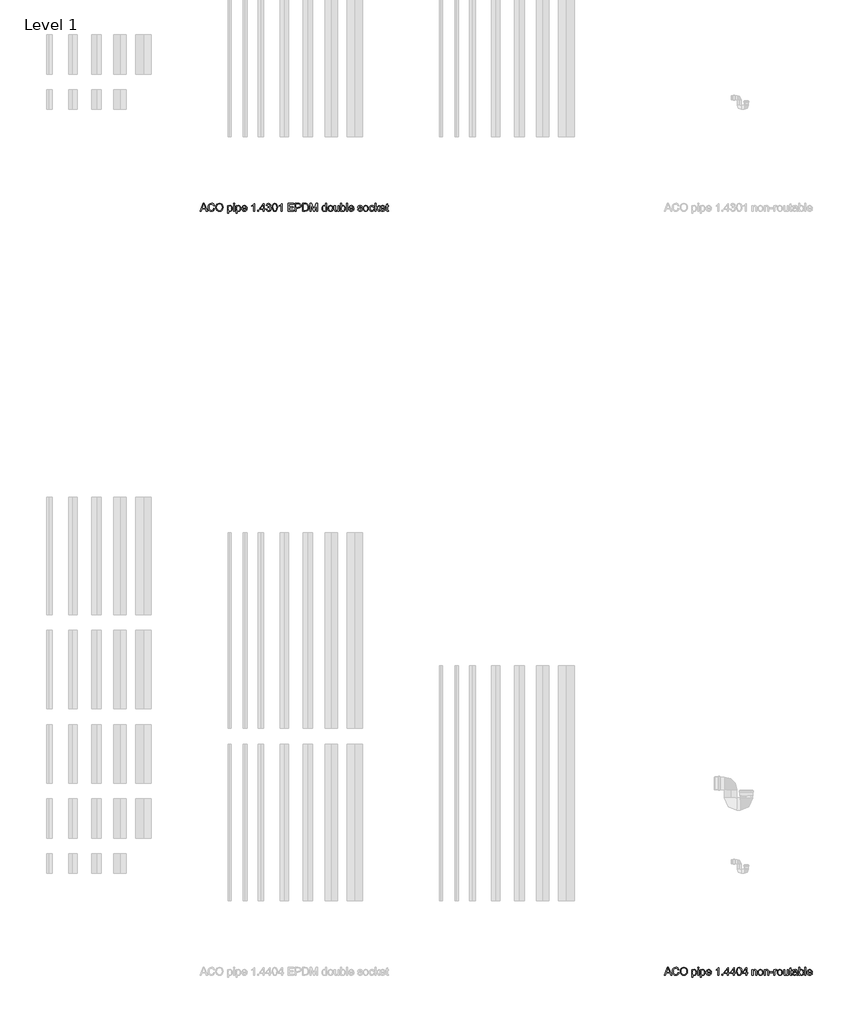
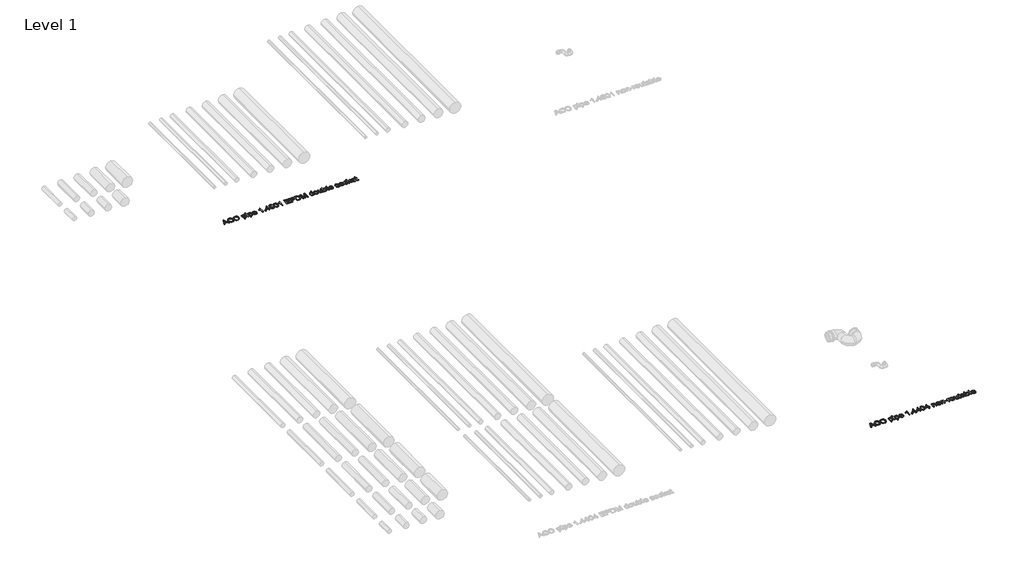
# One storey, part 12 of 13: 2 proxies.
"""IFC4 building model written with IfcOpenShell, lengths in millimetres."""

import ifcopenshell
import ifcopenshell.guid

model = None  # the IFC model being written
_history = None  # IfcOwnerHistory: only IFC2X3 demands one
_inside = {}  # id of a spatial element -> (the spatial element, [elements in it])
_under = {}  # id of a project, library or spatial element -> (it, [spatial elements below it])
_declared = {}  # id of a project -> (the project, [libraries it declares])
_typed = {}  # id of a type object -> (the type object, [elements of that type])
_made_of = {}  # id of a material, layer set ... -> (it, [elements and type objects made of it])


def new_model(schema):
    """Start an empty IFC model of exactly this schema.

    Asked for "IFC4X3", IfcOpenShell would pick the latest addendum, in which some entities
    have other attributes; the version numbers below select the first issue.
    IFC2X3 requires an IfcOwnerHistory on every rooted entity: one is made here for all.
    """
    global model, _history
    if schema == "IFC4X3":
        model = ifcopenshell.file(schema_version=(4, 3, 0, 0))
    else:
        model = ifcopenshell.file(schema=schema)
    _inside.clear()
    _under.clear()
    _declared.clear()
    _typed.clear()
    _made_of.clear()
    _history = None
    if model.schema == "IFC2X3":
        org = make("IfcOrganization", Name="unknown")
        user = make(
            "IfcPersonAndOrganization",
            ThePerson=make("IfcPerson", FamilyName="unknown"),
            TheOrganization=org,
        )
        app = make(
            "IfcApplication",
            ApplicationDeveloper=org,
            Version="unknown",
            ApplicationFullName="unknown",
            ApplicationIdentifier="unknown",
        )
        _history = make(
            "IfcOwnerHistory",
            OwningUser=user,
            OwningApplication=app,
            ChangeAction="ADDED",
            CreationDate=0,
        )
    return model


def make(cls, **values):
    """One entity of the class cls with the attributes given. An attribute that is None is left unset."""
    return model.create_entity(
        cls, **{name: value for name, value in values.items() if value is not None}
    )


def rooted(cls, **values):
    """An entity with a GlobalId (a new one), such as an element, a storey or a relation."""
    return make(cls, GlobalId=ifcopenshell.guid.new(), OwnerHistory=_history, **values)


def si_unit(unit_type, name, prefix=None):
    """IfcSIUnit, for example si_unit("LENGTHUNIT", "METRE", prefix="MILLI")."""
    return make("IfcSIUnit", UnitType=unit_type, Prefix=prefix, Name=name)


def assignment(units):
    """IfcUnitAssignment: the units of a project."""
    return None if units is None else make("IfcUnitAssignment", Units=units)


def point(xyz):
    """IfcCartesianPoint."""
    return None if xyz is None else make("IfcCartesianPoint", Coordinates=xyz)


def direction(xyz):
    """IfcDirection."""
    return None if xyz is None else make("IfcDirection", DirectionRatios=xyz)


def frame(location, z_axis=None, x_axis=None):
    """IfcAxis2Placement3D, a coordinate frame: its origin and axes. An axis left out is left unset."""
    return make(
        "IfcAxis2Placement3D",
        Location=point(location),
        Axis=direction(z_axis),
        RefDirection=direction(x_axis),
    )


def origin():
    """The frame at (0, 0, 0) with its axes left unset."""
    return frame((0.0, 0.0, 0.0))


def origin_with_axes():
    """The frame at (0, 0, 0) with the z axis (0, 0, 1) and the x axis (1, 0, 0) written out."""
    return frame((0.0, 0.0, 0.0), z_axis=(0.0, 0.0, 1.0), x_axis=(1.0, 0.0, 0.0))


def place(relative_to, where):
    """IfcLocalPlacement: puts the frame where relative to a parent placement (None: the world)."""
    return make(
        "IfcLocalPlacement", PlacementRelTo=relative_to, RelativePlacement=where
    )


def context(
    kind, dimensions, precision=None, world=None, true_north=None, identifier=None
):
    """IfcGeometricRepresentationContext, for example the 3D "Model" context."""
    return make(
        "IfcGeometricRepresentationContext",
        ContextIdentifier=identifier,
        ContextType=kind,
        CoordinateSpaceDimension=dimensions,
        Precision=precision,
        WorldCoordinateSystem=world,
        TrueNorth=true_north,
    )


def project(units=None, contexts=None):
    """IfcProject with its units and contexts."""
    return rooted(
        "IfcProject",
        Name="project",
        RepresentationContexts=contexts,
        UnitsInContext=assignment(units),
    )


def spatial(cls, under=None, at=None, **own):
    """A site, building, storey or space (cls), placed at a placement, below another one or the project."""
    s = rooted(cls, ObjectPlacement=at, **own)
    if under is not None:
        _under.setdefault(under.id(), (under, []))[1].append(s)
    return s


def polyline(points):
    """IfcPolyline through the points."""
    return make("IfcPolyline", Points=[point(p) for p in points])


def outline(outer, holes=None, kind="AREA"):
    """IfcArbitraryClosedProfileDef: a profile drawn as a closed curve; with holes, ...WithVoids."""
    if holes is None:
        return make("IfcArbitraryClosedProfileDef", ProfileType=kind, OuterCurve=outer)
    return make(
        "IfcArbitraryProfileDefWithVoids",
        ProfileType=kind,
        OuterCurve=outer,
        InnerCurves=holes,
    )


def extrude(swept, where, along, depth):
    """IfcExtrudedAreaSolid: the profile swept, set in the frame where, extruded along a direction by depth."""
    return make(
        "IfcExtrudedAreaSolid",
        SweptArea=swept,
        Position=where,
        ExtrudedDirection=direction(along),
        Depth=depth,
    )


def shape(context_of_items, identifier, shape_type, items):
    """IfcShapeRepresentation: the items that make up one representation, for example the "Body"."""
    return make(
        "IfcShapeRepresentation",
        ContextOfItems=context_of_items,
        RepresentationIdentifier=identifier,
        RepresentationType=shape_type,
        Items=items,
    )


def made_of(thing, what):
    """Note that an element or type object is made of a material, layer set ...; save() writes the relation."""
    if what is not None:
        _made_of.setdefault(what.id(), (what, []))[1].append(thing)
    return thing


def element(
    cls,
    number,
    at=None,
    inside=None,
    cuts=None,
    type_object=None,
    material=None,
    context=None,
    identifier="Body",
    shape_type=None,
    held_by="IfcProductDefinitionShape",
    body=None,
    shapes=None,
    **own,
):
    """One element of the class cls, such as IfcWall. Its Tag is "e" and its number.

    at: its placement. inside: the storey or other place that contains it. cuts: it is an
    opening in that element (IfcRelVoidsElement). A single representation is given by context,
    identifier, shape_type and body (its items); several are given by shapes. held_by: the class
    of the entity that holds the representations. save() writes the other relations.
    """
    e = rooted(cls, Tag="e%d" % number, ObjectPlacement=at, **own)
    if body is not None:
        shapes = [shape(context, identifier, shape_type, body)]
    if shapes is not None:
        e.Representation = make(held_by, Representations=shapes)
    if inside is not None:
        _inside.setdefault(inside.id(), (inside, []))[1].append(e)
    if cuts is not None:
        rooted(
            "IfcRelVoidsElement", RelatingBuildingElement=cuts, RelatedOpeningElement=e
        )
    if type_object is not None:
        _typed.setdefault(type_object.id(), (type_object, []))[1].append(e)
    return made_of(e, material)


def aggregate(whole, parts):
    """IfcRelAggregates: a whole, such as a stair, and the parts it consists of."""
    return rooted("IfcRelAggregates", RelatingObject=whole, RelatedObjects=parts)


def save(model, path):
    """Write the relations noted so far, then the file.

    IfcRelAggregates (storeys below a building ...), IfcRelContainedInSpatialStructure (elements
    in a storey), IfcRelDefinesByType, IfcRelAssociatesMaterial and IfcRelDeclares: one each for
    every whole, place, type object, material and project.
    """
    for whole, parts in _under.values():
        aggregate(whole, parts)
    for where, things in _inside.values():
        rooted(
            "IfcRelContainedInSpatialStructure",
            RelatedElements=things,
            RelatingStructure=where,
        )
    for kind, things in _typed.values():
        rooted("IfcRelDefinesByType", RelatedObjects=things, RelatingType=kind)
    for what, things in _made_of.values():
        rooted("IfcRelAssociatesMaterial", RelatedObjects=things, RelatingMaterial=what)
    for by, libraries in _declared.values():
        rooted("IfcRelDeclares", RelatingContext=by, RelatedDefinitions=libraries)
    model.write(path)


model = new_model("IFC4")

# Units and contexts
model_context = context("Model", 3, world=origin())
ifc_project = project(units=[si_unit("LENGTHUNIT", "METRE", prefix="MILLI")], contexts=[model_context])

# Site, building, storey
site = spatial("IfcSite", under=ifc_project)
building = spatial("IfcBuilding", under=site)
storey = spatial("IfcBuildingStorey", under=building, Name="Level 1", Elevation=0.0)

# Proxies
placement = place(None, origin())
element("IfcBuildingElementProxy", 1, Name="100mm ACO", ObjectType="100mm ACO", at=placement, inside=storey, context=model_context, shape_type="SweptSolid", body=[
    extrude(outline(polyline([(14738.8757357, -969.2114353), (14725.0736524, -969.2114353), (14713.0944857, -939.5818057), (14670.6465691, -939.5818057), (14659.1303654, -969.2114353), (14645.3572172, -969.2114353), (14684.2171709, -869.2114353), (14698.3954116, -869.2114353), (14738.8757357, -969.2114353)]), holes=[polyline([(14708.5805968, -928.4706946), (14694.156407, -891.8098149), (14691.1905505, -880.1489353), (14686.5319857, -898.7253242), (14674.9868468, -928.4706946), (14708.5805968, -928.4706946)])]), origin_with_axes(), (0.0, 0.0, 1.0), 10.0),
    extrude(outline(polyline([(14832.8572172, -937.3827316), (14826.9435887, -952.2083971), (14817.8253885, -962.7154862), (14806.0379174, -968.9763369), (14792.1164765, -971.0632872), (14771.2108052, -967.2076737), (14756.8734209, -955.6408335), (14748.5834904, -938.648646), (14745.8201802, -918.5169909), (14749.0645378, -897.1302721), (14758.7976107, -880.9446529), (14773.63051, -870.7558508), (14792.1743468, -867.3595835), (14805.4881489, -869.1716494), (14816.7258515, -874.6078473), (14825.3955563, -883.5379689), (14831.0053654, -895.8318057), (14818.0424024, -898.8410649), (14808.1899718, -883.5777548), (14791.6824487, -878.4706946), (14777.4608052, -881.1797513), (14767.1454116, -889.3069214), (14760.8737103, -901.9913832), (14758.7831431, -918.3723149), (14760.9966848, -936.7353068), (14767.6373098, -949.6946529), (14777.8369626, -957.3877953), (14790.7275876, -959.9521761), (14801.296164, -958.3354226), (14809.6801339, -953.4851622), (14815.8794973, -945.3869272), (14819.8942542, -934.0262501), (14832.8572172, -937.3827316)])), origin_with_axes(), (0.0, 0.0, 1.0), 10.0),
    extrude(outline(polyline([(14892.203282, -867.3595835), (14910.6928654, -870.9330788), (14925.478745, -881.6535649), (14935.1792658, -898.2261923), (14938.4127728, -919.3561112), (14935.1611813, -940.3956078), (14925.406407, -956.8705788), (14910.6024429, -967.5151101), (14892.203282, -971.0632872), (14873.3303075, -967.3849017), (14858.5516616, -956.3497455), (14849.0030505, -940.0194504), (14845.8201802, -920.4556483), (14849.0464533, -898.3744851), (14858.7252728, -881.5522918), (14873.5473214, -870.9077605), (14892.203282, -867.3595835)]), holes=[polyline([(14892.0875413, -959.9521761), (14905.5279348, -957.2684376), (14916.1616154, -949.2172223), (14923.098826, -936.3844677), (14925.4498098, -919.3561112), (14923.0952091, -901.9479804), (14916.031407, -889.0754399), (14905.4013434, -881.1218809), (14892.3479579, -878.4706946), (14879.0016038, -881.0676274), (14868.2449487, -888.8584261), (14861.1485945, -902.0167015), (14858.7831431, -920.7160649), (14861.0979579, -936.5978647), (14868.0424024, -949.1159492), (14878.6833167, -957.2431193), (14892.0875413, -959.9521761)])]), origin_with_axes(), (0.0, 0.0, 1.0), 10.0),
    extrude(outline(polyline([(15007.0614996, -905.6987038), (15015.5178075, -897.7776969), (15027.1859209, -895.1373612), (15039.5123098, -897.7270603), (15048.9451802, -905.4961575), (15054.9347635, -917.4246876), (15056.9312913, -932.4926853), (15054.6743468, -948.3817189), (15047.9035135, -960.6321529), (15037.8485366, -968.4555036), (15025.7391616, -971.0632872), (15015.3658978, -968.9365511), (15007.2785135, -962.5563427), (15006.9312913, -996.9892131), (14993.9683283, -996.9892131), (14993.9683283, -896.9892131), (15006.9312913, -896.9892131), (15007.0614996, -905.6987038)]), holes=[polyline([(15024.3213376, -961.8040279), (15032.0940517, -959.9774943), (15038.3983052, -954.4978936), (15042.5758225, -945.4013948), (15043.9683283, -932.7241668), (15042.6264591, -920.6473439), (15038.6008515, -911.7316899), (15032.4846767, -906.2303879), (15024.8711061, -904.3966205), (15016.989885, -906.4401679), (15010.6494626, -912.5708103), (15006.4719452, -921.956661), (15005.0794394, -933.7658335), (15006.4140748, -945.8788254), (15010.4179811, -954.6715048), (15016.563091, -960.0208971), (15024.3213376, -961.8040279)])]), origin_with_axes(), (0.0, 0.0, 1.0), 10.0),
    extrude(outline(polyline([(15084.7090691, -969.2114353), (15071.7461061, -969.2114353), (15071.7461061, -896.9892131), (15084.7090691, -896.9892131), (15084.7090691, -969.2114353)])), origin_with_axes(), (0.0, 0.0, 1.0), 10.0),
    extrude(outline(polyline([(15084.7090691, -882.1743983), (15071.7461061, -882.1743983), (15071.7461061, -869.2114353), (15084.7090691, -869.2114353), (15084.7090691, -882.1743983)])), origin_with_axes(), (0.0, 0.0, 1.0), 10.0),
    extrude(outline(polyline([(15116.3207589, -905.6987038), (15124.7770667, -897.7776969), (15136.4451802, -895.1373612), (15148.7715691, -897.7270603), (15158.2044394, -905.4961575), (15164.1940228, -917.4246876), (15166.1905505, -932.4926853), (15163.9336061, -948.3817189), (15157.1627728, -960.6321529), (15147.1077959, -968.4555036), (15134.9984209, -971.0632872), (15124.625157, -968.9365511), (15116.5377728, -962.5563427), (15116.1905505, -996.9892131), (15103.2275876, -996.9892131), (15103.2275876, -896.9892131), (15116.1905505, -896.9892131), (15116.3207589, -905.6987038)]), holes=[polyline([(15133.5805968, -961.8040279), (15141.353311, -959.9774943), (15147.6575644, -954.4978936), (15151.8350818, -945.4013948), (15153.2275876, -932.7241668), (15151.8857184, -920.6473439), (15147.8601107, -911.7316899), (15141.743936, -906.2303879), (15134.1303654, -904.3966205), (15126.2491443, -906.4401679), (15119.9087218, -912.5708103), (15115.7312045, -921.956661), (15114.3386987, -933.7658335), (15115.6733341, -945.8788254), (15119.6772404, -954.6715048), (15125.8223503, -960.0208971), (15133.5805968, -961.8040279)])]), origin_with_axes(), (0.0, 0.0, 1.0), 10.0),
    extrude(outline(polyline([(15243.9683283, -935.878102), (15190.2646246, -935.878102), (15192.3371073, -947.0036807), (15197.0499255, -955.1489353), (15203.8316096, -960.1402548), (15212.1106894, -961.8040279), (15223.7860366, -958.1147918), (15231.0053654, -946.9892131), (15243.9683283, -948.4938427), (15239.5918816, -958.1147918), (15232.6546709, -965.2183798), (15223.4098792, -969.6020603), (15212.1106894, -971.0632872), (15197.5237392, -968.5567767), (15186.5175181, -961.0372455), (15179.6056258, -949.1774365), (15177.3016616, -933.6500927), (15179.5224371, -918.1118983), (15186.1847635, -905.8144446), (15196.8835482, -897.8066321), (15211.2136987, -895.1373612), (15226.4336061, -898.5951159), (15238.8612681, -910.3717362), (15242.6915633, -920.9077605), (15243.9683283, -935.878102)]), holes=[polyline([(15231.0053654, -926.6188427), (15228.922032, -916.4625927), (15224.1766616, -909.6049538), (15210.8954116, -904.3966205), (15203.0395089, -905.9446529), (15196.7171709, -910.5887501), (15190.2646246, -926.6188427), (15231.0053654, -926.6188427)])]), origin_with_axes(), (0.0, 0.0, 1.0), 10.0),
    extrude(outline(polyline([(15342.1164765, -969.2114353), (15329.1535135, -969.2114353), (15329.1535135, -891.4336575), (15305.0794394, -906.2484723), (15305.0794394, -896.9892131), (15323.3520089, -885.2704631), (15334.7090691, -871.0632872), (15342.1164765, -871.0632872), (15342.1164765, -969.2114353)])), origin_with_axes(), (0.0, 0.0, 1.0), 10.0),
    extrude(outline(polyline([(15393.9683283, -969.2114353), (15379.1535135, -969.2114353), (15379.1535135, -954.3966205), (15393.9683283, -954.3966205), (15393.9683283, -969.2114353)])), origin_with_axes(), (0.0, 0.0, 1.0), 10.0),
    extrude(outline(polyline([(15475.4498098, -945.1373612), (15462.4868468, -945.1373612), (15462.4868468, -969.2114353), (15449.5238839, -969.2114353), (15449.5238839, -945.1373612), (15406.9312913, -945.1373612), (15406.9312913, -935.878102), (15451.8386987, -871.0632872), (15462.4868468, -871.0632872), (15462.4868468, -935.878102), (15475.4498098, -935.878102), (15475.4498098, -945.1373612)]), holes=[polyline([(15449.5238839, -935.878102), (15449.5238839, -889.9868983), (15417.7530505, -935.878102), (15449.5238839, -935.878102)])]), origin_with_axes(), (0.0, 0.0, 1.0), 10.0),
    extrude(outline(polyline([(15535.8954116, -915.6090048), (15544.2251281, -918.8461286), (15550.2327959, -924.6367825), (15555.0794394, -940.1605094), (15552.5548445, -952.4688138), (15544.9810598, -962.368264), (15533.8916501, -968.8895314), (15520.8201802, -971.0632872), (15508.540811, -969.1463311), (15498.6124255, -963.3954631), (15491.6860656, -954.4978936), (15488.4127728, -943.1408335), (15501.3757357, -941.4336575), (15508.2044394, -956.7259029), (15521.2542079, -961.8040279), (15529.3235077, -960.2776969), (15536.0545552, -955.6987038), (15540.6009961, -948.9061691), (15542.1164765, -940.7392131), (15540.6950355, -932.9809666), (15536.4307126, -926.6622455), (15529.8732762, -922.4630267), (15521.572495, -921.0632872), (15512.4868468, -922.915139), (15513.9336061, -911.8040279), (15521.8039765, -911.3121298), (15528.2854579, -908.9105094), (15534.2171709, -903.4417594), (15536.5609209, -894.6165279), (15531.7721478, -882.6952316), (15520.6755042, -878.4706946), (15508.9422866, -883.2739353), (15503.2275876, -896.9892131), (15490.2646246, -894.7612038), (15494.1021535, -883.5741379), (15500.8114996, -875.5916436), (15509.7560887, -870.8064874), (15520.2993468, -869.2114353), (15531.764914, -871.103073), (15541.1616154, -876.7779862), (15547.4333167, -885.1872744), (15549.5238839, -895.2820372), (15546.1167658, -907.3480094), (15535.8954116, -915.6090048)])), origin_with_axes(), (0.0, 0.0, 1.0), 10.0),
    extrude(outline(polyline([(15599.4949487, -869.2114353), (15614.0909412, -872.3979226), (15624.5166501, -881.9573844), (15630.7720754, -897.8898207), (15632.8572172, -920.1952316), (15630.7015459, -942.6670198), (15624.234532, -958.5198844), (15613.7382936, -967.9274365), (15599.4949487, -971.0632872), (15584.9242745, -967.8840337), (15574.5166501, -958.3462733), (15568.2720754, -942.4500059), (15566.1905505, -920.1952316), (15568.3462218, -897.7270603), (15574.8132357, -881.8271761), (15585.2950066, -872.3653705), (15599.4949487, -869.2114353)]), holes=[polyline([(15599.5238839, -961.8040279), (15608.3635829, -959.3698554), (15614.7437913, -952.0673381), (15618.6066385, -939.2309666), (15619.8942542, -920.1952316), (15617.6373098, -895.9764816), (15610.8230737, -882.8109723), (15599.3792079, -878.4706946), (15590.5575934, -880.9482698), (15584.2316385, -888.3809955), (15580.4230448, -901.289705), (15579.1535135, -920.1952316), (15581.4538607, -944.2548381), (15588.2680968, -957.4637501), (15599.5238839, -961.8040279)])]), origin_with_axes(), (0.0, 0.0, 1.0), 10.0),
    extrude(outline(polyline([(15692.1164765, -969.2114353), (15679.1535135, -969.2114353), (15679.1535135, -891.4336575), (15655.0794394, -906.2484723), (15655.0794394, -896.9892131), (15673.3520089, -885.2704631), (15684.7090691, -871.0632872), (15692.1164765, -871.0632872), (15692.1164765, -969.2114353)])), origin_with_axes(), (0.0, 0.0, 1.0), 10.0),
    extrude(outline(polyline([(15840.2646246, -969.2114353), (15766.1905505, -969.2114353), (15766.1905505, -869.2114353), (15838.4127728, -869.2114353), (15838.4127728, -880.3225464), (15779.1535135, -880.3225464), (15779.1535135, -911.8040279), (15834.7090691, -911.8040279), (15834.7090691, -922.915139), (15779.1535135, -922.915139), (15779.1535135, -958.1003242), (15840.2646246, -958.1003242), (15840.2646246, -969.2114353)])), origin_with_axes(), (0.0, 0.0, 1.0), 10.0),
    extrude(outline(polyline([(15858.7831431, -869.2114353), (15896.3410135, -869.2114353), (15911.6477265, -870.0939585), (15923.5690228, -874.6801853), (15931.8878885, -884.7351622), (15934.7090691, -898.0308798), (15932.4846767, -910.4621587), (15925.8114996, -920.1518288), (15914.2338086, -926.3909781), (15897.2958746, -928.4706946), (15871.7461061, -928.4706946), (15871.7461061, -969.2114353), (15858.7831431, -969.2114353), (15858.7831431, -869.2114353)]), holes=[polyline([(15871.7461061, -917.3595835), (15897.8167079, -917.3595835), (15915.7637566, -912.6214469), (15920.2505187, -906.6987762), (15921.7461061, -898.4070372), (15918.6355737, -887.4261344), (15910.9966848, -881.4944214), (15897.5273561, -880.3225464), (15871.7461061, -880.3225464), (15871.7461061, -917.3595835)])]), origin_with_axes(), (0.0, 0.0, 1.0), 10.0),
    extrude(outline(polyline([(15951.3757357, -869.2114353), (15985.4035135, -869.2114353), (16000.797032, -870.1373612), (16013.1234209, -874.6367825), (16023.4098792, -884.4892131), (16030.3398561, -898.9134029), (16032.8572172, -918.6616668), (16030.2675181, -938.7969388), (16022.4984209, -954.9897918), (16008.4142195, -965.6560244), (15986.8792079, -969.2114353), (15951.3757357, -969.2114353), (15951.3757357, -869.2114353)]), holes=[polyline([(15964.3386987, -958.1003242), (15985.6639302, -958.1003242), (15997.3103422, -957.2612038), (16007.7125413, -952.7328473), (16016.4364996, -940.6379399), (16019.8942542, -918.3723149), (16018.5632357, -904.0783335), (16013.6731894, -891.9689585), (16005.4989996, -883.9683798), (15996.500157, -880.8723149), (15985.2588376, -880.3225464), (15964.3386987, -880.3225464), (15964.3386987, -958.1003242)])]), origin_with_axes(), (0.0, 0.0, 1.0), 10.0),
    extrude(outline(polyline([(16143.9683283, -969.2114353), (16131.0053654, -969.2114353), (16131.0053654, -885.415139), (16105.484532, -969.2114353), (16091.7113839, -969.2114353), (16064.7148561, -884.0551853), (16064.3386987, -969.2114353), (16051.3757357, -969.2114353), (16051.3757357, -869.2114353), (16071.0805968, -869.2114353), (16093.9104579, -940.0737038), (16098.3375413, -954.8885186), (16103.3433283, -938.8584261), (16124.697495, -869.2114353), (16143.9683283, -869.2114353), (16143.9683283, -969.2114353)])), origin_with_axes(), (0.0, 0.0, 1.0), 10.0),
    extrude(outline(polyline([(16262.4868468, -969.2114353), (16249.5238839, -969.2114353), (16249.5238839, -961.0517131), (16241.1688491, -968.5603936), (16229.7900876, -971.0632872), (16217.9230448, -968.4229515), (16208.1899718, -960.5019446), (16201.6904059, -948.3708682), (16199.5238839, -933.1003242), (16201.5999834, -917.3595835), (16207.828282, -905.3225464), (16217.4636987, -897.6836575), (16229.7611524, -895.1373612), (16241.0458746, -897.4232409), (16249.2634672, -904.2808798), (16249.5238839, -869.2114353), (16262.4868468, -869.2114353), (16262.4868468, -969.2114353)]), holes=[polyline([(16231.2947172, -961.8040279), (16238.3476686, -960.096852), (16244.228745, -954.9753242), (16248.2000991, -946.3815742), (16249.5238839, -934.2577316), (16244.6772404, -912.4984723), (16238.7780795, -906.4220835), (16230.7738839, -904.3966205), (16222.8275586, -906.3786807), (16217.1020089, -912.3248612), (16212.4868468, -933.1292594), (16214.9752728, -948.8844677), (16221.9197172, -958.5632872), (16231.2947172, -961.8040279)])]), origin_with_axes(), (0.0, 0.0, 1.0), 10.0),
    extrude(outline(polyline([(16310.6060598, -895.1373612), (16323.7824198, -897.5317478), (16334.4920552, -904.7149075), (16341.59926, -916.310683), (16343.9683283, -931.9429168), (16341.4039475, -950.2154862), (16333.7108052, -962.2091205), (16322.8058573, -968.8497455), (16310.6060598, -971.0632872), (16298.0156373, -968.7882582), (16287.2119626, -961.9631714), (16279.7792369, -950.1974017), (16277.3016616, -933.1003242), (16279.6960482, -916.383021), (16286.8792079, -904.5412964), (16297.5996941, -897.488345), (16310.6060598, -895.1373612)]), holes=[polyline([(16310.6060598, -961.8040279), (16319.4132068, -959.7966494), (16325.8114996, -953.774514), (16331.0053654, -932.6373612), (16329.5369047, -920.3543751), (16325.1315228, -911.5146761), (16318.5632357, -906.1761344), (16310.6060598, -904.3966205), (16302.4933573, -906.2014527), (16295.9793237, -911.6159492), (16291.6932994, -920.6039411), (16290.2646246, -933.1292594), (16291.7186177, -945.6111749), (16296.0805968, -954.5846992), (16302.6199487, -959.9991957), (16310.6060598, -961.8040279)])]), origin_with_axes(), (0.0, 0.0, 1.0), 10.0),
    extrude(outline(polyline([(16418.0424024, -969.2114353), (16406.9312913, -969.2114353), (16406.9312913, -958.7079631), (16396.6882357, -967.9744561), (16383.7252728, -971.0632872), (16369.6049024, -967.5476622), (16360.953282, -957.8688427), (16358.7831431, -941.8676853), (16358.7831431, -896.9892131), (16371.7461061, -896.9892131), (16371.7461061, -937.9614353), (16372.6430968, -952.0528705), (16377.3305968, -959.0551853), (16386.3583746, -961.8040279), (16399.1043237, -956.8850464), (16403.5856605, -949.3329631), (16405.0794394, -936.5146761), (16405.0794394, -896.9892131), (16418.0424024, -896.9892131), (16418.0424024, -969.2114353)])), origin_with_axes(), (0.0, 0.0, 1.0), 10.0),
    extrude(outline(polyline([(16449.697495, -904.1362038), (16458.0597635, -897.3870719), (16469.1419394, -895.1373612), (16481.5659846, -897.6836575), (16491.2339533, -905.3225464), (16497.4514012, -917.0702316), (16499.5238839, -931.9429168), (16497.245238, -948.6783045), (16490.4093005, -960.9793751), (16480.520701, -968.5423092), (16469.0840691, -971.0632872), (16458.0669973, -968.5893288), (16449.7843005, -961.1674538), (16449.5238839, -969.2114353), (16436.5609209, -969.2114353), (16436.5609209, -869.2114353), (16449.5238839, -869.2114353), (16449.697495, -904.1362038)]), holes=[polyline([(16467.8687913, -961.8040279), (16475.2870494, -959.9123902), (16481.2802496, -954.237477), (16485.2407531, -945.1409781), (16486.5609209, -932.9845835), (16481.6998098, -912.1078473), (16475.9127728, -906.3244272), (16468.2738839, -904.3966205), (16460.6494626, -906.3859145), (16454.6743468, -912.3537964), (16449.5238839, -932.4926853), (16451.6650876, -949.4487038), (16458.1176339, -958.143727), (16467.8687913, -961.8040279)])]), origin_with_axes(), (0.0, 0.0, 1.0), 10.0),
    extrude(outline(polyline([(16527.3016616, -969.2114353), (16514.3386987, -969.2114353), (16514.3386987, -869.2114353), (16527.3016616, -869.2114353), (16527.3016616, -969.2114353)])), origin_with_axes(), (0.0, 0.0, 1.0), 10.0),
    extrude(outline(polyline([(16608.7831431, -935.878102), (16555.0794394, -935.878102), (16557.1519221, -947.0036807), (16561.8647404, -955.1489353), (16568.6464244, -960.1402548), (16576.9255042, -961.8040279), (16588.6008515, -958.1147918), (16595.8201802, -946.9892131), (16608.7831431, -948.4938427), (16604.4066964, -958.1147918), (16597.4694857, -965.2183798), (16588.2246941, -969.6020603), (16576.9255042, -971.0632872), (16562.338554, -968.5567767), (16551.3323329, -961.0372455), (16544.4204406, -949.1774365), (16542.1164765, -933.6500927), (16544.3372519, -918.1118983), (16550.9995783, -905.8144446), (16561.698363, -897.8066321), (16576.0285135, -895.1373612), (16591.2484209, -898.5951159), (16603.6760829, -910.3717362), (16607.5063781, -920.9077605), (16608.7831431, -935.878102)]), holes=[polyline([(16595.8201802, -926.6188427), (16593.7368468, -916.4625927), (16588.9914765, -909.6049538), (16575.7102265, -904.3966205), (16567.8543237, -905.9446529), (16561.5319857, -910.5887501), (16555.0794394, -926.6188427), (16595.8201802, -926.6188427)])]), origin_with_axes(), (0.0, 0.0, 1.0), 10.0),
    extrude(outline(polyline([(16703.2275876, -917.3595835), (16698.4388144, -907.6373612), (16687.3711061, -904.3966205), (16676.0574487, -907.1743983), (16671.7461061, -915.2473149), (16674.5962218, -922.3943057), (16688.0366154, -926.2716205), (16705.7594163, -930.4382872), (16714.8016616, -936.7606251), (16718.0424024, -948.0887501), (16716.031407, -957.0188717), (16709.9984209, -964.4226622), (16700.6017195, -969.4031309), (16688.4995783, -971.0632872), (16676.0248966, -969.6671645), (16666.6101107, -965.4787964), (16660.2479869, -958.5054168), (16656.9312913, -948.7542594), (16669.8942542, -946.9892131), (16675.4932126, -958.1147918), (16688.4995783, -961.8040279), (16700.797032, -957.9701159), (16705.0794394, -948.6385186), (16703.1552496, -942.6634029), (16698.3520089, -939.2924538), (16684.7669394, -936.3989353), (16663.8323329, -928.5864353), (16658.7831431, -915.9996298), (16660.6530795, -907.7133161), (16666.2628885, -901.0256714), (16675.0338665, -896.6094388), (16686.3873098, -895.1373612), (16698.3194568, -896.424977), (16707.2640459, -900.2878242), (16713.2210772, -906.7186691), (16716.1905505, -915.7102779), (16703.2275876, -917.3595835)])), origin_with_axes(), (0.0, 0.0, 1.0), 10.0),
    extrude(outline(polyline([(16760.6060598, -895.1373612), (16773.7824198, -897.5317478), (16784.4920552, -904.7149075), (16791.59926, -916.310683), (16793.9683283, -931.9429168), (16791.4039475, -950.2154862), (16783.7108052, -962.2091205), (16772.8058573, -968.8497455), (16760.6060598, -971.0632872), (16748.0156373, -968.7882582), (16737.2119626, -961.9631714), (16729.7792369, -950.1974017), (16727.3016616, -933.1003242), (16729.6960482, -916.383021), (16736.8792079, -904.5412964), (16747.5996941, -897.488345), (16760.6060598, -895.1373612)]), holes=[polyline([(16760.6060598, -961.8040279), (16769.4132068, -959.7966494), (16775.8114996, -953.774514), (16781.0053654, -932.6373612), (16779.5369047, -920.3543751), (16775.1315228, -911.5146761), (16768.5632357, -906.1761344), (16760.6060598, -904.3966205), (16752.4933573, -906.2014527), (16745.9793237, -911.6159492), (16741.6932994, -920.6039411), (16740.2646246, -933.1292594), (16741.7186177, -945.6111749), (16746.0805968, -954.5846992), (16752.6199487, -959.9991957), (16760.6060598, -961.8040279)])]), origin_with_axes(), (0.0, 0.0, 1.0), 10.0),
    extrude(outline(polyline([(16869.8942542, -944.7612038), (16865.8650297, -956.5667594), (16858.6963376, -964.7264816), (16849.3719741, -969.4790858), (16838.8757357, -971.0632872), (16824.5600529, -968.4735881), (16813.9046709, -960.7044909), (16807.2857473, -948.66022), (16805.0794394, -933.2450001), (16810.1141616, -910.5598149), (16822.7154348, -898.5951159), (16838.6153191, -895.1373612), (16858.0742311, -900.7941899), (16864.609966, -907.7784203), (16868.0424024, -917.4174538), (16855.0794394, -919.2114353), (16849.1766616, -908.1147918), (16838.759995, -904.3966205), (16829.8045552, -906.2810244), (16823.3086061, -911.9342362), (16819.3589533, -920.9656309), (16818.0424024, -932.9845835), (16819.3625702, -945.2133161), (16823.3230737, -954.2953473), (16829.7720031, -959.9268578), (16838.5574487, -961.8040279), (16851.1587218, -957.1743983), (16856.9312913, -943.2855094), (16869.8942542, -944.7612038)])), origin_with_axes(), (0.0, 0.0, 1.0), 10.0),
    extrude(outline(polyline([(16938.4127728, -969.2114353), (16925.5366154, -969.2114353), (16899.4370783, -931.2484723), (16890.2646246, -939.5818057), (16890.2646246, -969.2114353), (16877.3016616, -969.2114353), (16877.3016616, -869.2114353), (16890.2646246, -869.2114353), (16890.2646246, -925.2010186), (16921.2542079, -896.9892131), (16937.0238839, -896.9892131), (16907.3363839, -924.0146761), (16938.4127728, -969.2114353)])), origin_with_axes(), (0.0, 0.0, 1.0), 10.0),
    extrude(outline(polyline([(17008.7831431, -935.878102), (16955.0794394, -935.878102), (16957.1519221, -947.0036807), (16961.8647404, -955.1489353), (16968.6464244, -960.1402548), (16976.9255042, -961.8040279), (16988.6008515, -958.1147918), (16995.8201802, -946.9892131), (17008.7831431, -948.4938427), (17004.4066964, -958.1147918), (16997.4694857, -965.2183798), (16988.2246941, -969.6020603), (16976.9255042, -971.0632872), (16962.338554, -968.5567767), (16951.3323329, -961.0372455), (16944.4204406, -949.1774365), (16942.1164765, -933.6500927), (16944.3372519, -918.1118983), (16950.9995783, -905.8144446), (16961.698363, -897.8066321), (16976.0285135, -895.1373612), (16991.2484209, -898.5951159), (17003.6760829, -910.3717362), (17007.5063781, -920.9077605), (17008.7831431, -935.878102)]), holes=[polyline([(16995.8201802, -926.6188427), (16993.7368468, -916.4625927), (16988.9914765, -909.6049538), (16975.7102265, -904.3966205), (16967.8543237, -905.9446529), (16961.5319857, -910.5887501), (16955.0794394, -926.6188427), (16995.8201802, -926.6188427)])]), origin_with_axes(), (0.0, 0.0, 1.0), 10.0),
    extrude(outline(polyline([(17051.3757357, -970.2241668), (17042.2900876, -971.0632872), (17030.7015459, -968.1842362), (17026.259995, -960.878102), (17025.4498098, -948.5517131), (17025.4498098, -906.2484723), (17016.1905505, -906.2484723), (17016.1905505, -896.9892131), (17025.4498098, -896.9892131), (17025.4498098, -878.6443057), (17038.4127728, -871.0632872), (17038.4127728, -896.9892131), (17049.5238839, -896.9892131), (17049.5238839, -906.2484723), (17038.4127728, -906.2484723), (17038.4127728, -951.1558798), (17039.4544394, -959.3734723), (17044.7495783, -961.8040279), (17049.7843005, -961.8040279), (17051.3757357, -970.2241668)])), origin_with_axes(), (0.0, 0.0, 1.0), 10.0),
])
element("IfcBuildingElementProxy", 2, Name="100mm ACO", ObjectType="100mm ACO", at=placement, inside=storey, context=model_context, shape_type="SweptSolid", body=[
    extrude(outline(polyline([(20667.5794394, -10719.2114353), (20653.7773561, -10719.2114353), (20641.7981894, -10689.5818057), (20599.3502728, -10689.5818057), (20587.8340691, -10719.2114353), (20574.0609209, -10719.2114353), (20612.9208746, -10619.2114353), (20627.0991154, -10619.2114353), (20667.5794394, -10719.2114353)]), holes=[polyline([(20637.2843005, -10678.4706946), (20622.8601107, -10641.8098149), (20619.8942542, -10630.1489353), (20615.2356894, -10648.7253242), (20603.6905505, -10678.4706946), (20637.2843005, -10678.4706946)])]), origin_with_axes(), (0.0, 0.0, 1.0), 10.0),
    extrude(outline(polyline([(20761.5609209, -10687.3827316), (20755.6472924, -10702.2083971), (20746.5290922, -10712.7154862), (20734.7416211, -10718.9763369), (20720.8201802, -10721.0632872), (20699.9145089, -10717.2076737), (20685.5771246, -10705.6408335), (20677.2871941, -10688.648646), (20674.5238839, -10668.5169909), (20677.7682415, -10647.1302721), (20687.5013144, -10630.9446529), (20702.3342137, -10620.7558508), (20720.8780505, -10617.3595835), (20734.1918526, -10619.1716494), (20745.4295552, -10624.6078473), (20754.09926, -10633.5379689), (20759.7090691, -10645.8318057), (20746.7461061, -10648.8410649), (20736.8936755, -10633.5777548), (20720.3861524, -10628.4706946), (20706.1645089, -10631.1797513), (20695.8491154, -10639.3069214), (20689.577414, -10651.9913832), (20687.4868468, -10668.3723149), (20689.7003885, -10686.7353068), (20696.3410135, -10699.6946529), (20706.5406663, -10707.3877953), (20719.4312913, -10709.9521761), (20729.9998677, -10708.3354226), (20738.3838376, -10703.4851622), (20744.583201, -10695.3869272), (20748.5979579, -10684.0262501), (20761.5609209, -10687.3827316)])), origin_with_axes(), (0.0, 0.0, 1.0), 10.0),
    extrude(outline(polyline([(20820.9069857, -10617.3595835), (20839.3965691, -10620.9330788), (20854.1824487, -10631.6535649), (20863.8829695, -10648.2261923), (20867.1164765, -10669.3561112), (20863.864885, -10690.3956078), (20854.1101107, -10706.8705788), (20839.3061466, -10717.5151101), (20820.9069857, -10721.0632872), (20802.0340112, -10717.3849017), (20787.2553654, -10706.3497455), (20777.7067542, -10690.0194504), (20774.5238839, -10670.4556483), (20777.750157, -10648.3744851), (20787.4289765, -10631.5522918), (20802.2510251, -10620.9077605), (20820.9069857, -10617.3595835)]), holes=[polyline([(20820.791245, -10709.9521761), (20834.2316385, -10707.2684376), (20844.8653191, -10699.2172223), (20851.8025297, -10686.3844677), (20854.1535135, -10669.3561112), (20851.7989128, -10651.9479804), (20844.7351107, -10639.0754399), (20834.1050471, -10631.1218809), (20821.0516616, -10628.4706946), (20807.7053075, -10631.0676274), (20796.9486524, -10638.8584261), (20789.8522982, -10652.0167015), (20787.4868468, -10670.7160649), (20789.8016616, -10686.5978647), (20796.7461061, -10699.1159492), (20807.3870204, -10707.2431193), (20820.791245, -10709.9521761)])]), origin_with_axes(), (0.0, 0.0, 1.0), 10.0),
    extrude(outline(polyline([(20935.7652033, -10655.6987038), (20944.2215112, -10647.7776969), (20955.8896246, -10645.1373612), (20968.2160135, -10647.7270603), (20977.6488839, -10655.4961575), (20983.6384672, -10667.4246876), (20985.634995, -10682.4926853), (20983.3780505, -10698.3817189), (20976.6072172, -10710.6321529), (20966.5522404, -10718.4555036), (20954.4428654, -10721.0632872), (20944.0696015, -10718.9365511), (20935.9822172, -10712.5563427), (20935.634995, -10746.9892131), (20922.672032, -10746.9892131), (20922.672032, -10646.9892131), (20935.634995, -10646.9892131), (20935.7652033, -10655.6987038)]), holes=[polyline([(20953.0250413, -10711.8040279), (20960.7977554, -10709.9774943), (20967.1020089, -10704.4978936), (20971.2795262, -10695.4013948), (20972.672032, -10682.7241668), (20971.3301628, -10670.6473439), (20967.3045552, -10661.7316899), (20961.1883804, -10656.2303879), (20953.5748098, -10654.3966205), (20945.6935887, -10656.4401679), (20939.3531663, -10662.5708103), (20935.1756489, -10671.956661), (20933.7831431, -10683.7658335), (20935.1177785, -10695.8788254), (20939.1216848, -10704.6715048), (20945.2667948, -10710.0208971), (20953.0250413, -10711.8040279)])]), origin_with_axes(), (0.0, 0.0, 1.0), 10.0),
    extrude(outline(polyline([(21013.4127728, -10719.2114353), (21000.4498098, -10719.2114353), (21000.4498098, -10646.9892131), (21013.4127728, -10646.9892131), (21013.4127728, -10719.2114353)])), origin_with_axes(), (0.0, 0.0, 1.0), 10.0),
    extrude(outline(polyline([(21013.4127728, -10632.1743983), (21000.4498098, -10632.1743983), (21000.4498098, -10619.2114353), (21013.4127728, -10619.2114353), (21013.4127728, -10632.1743983)])), origin_with_axes(), (0.0, 0.0, 1.0), 10.0),
    extrude(outline(polyline([(21045.0244626, -10655.6987038), (21053.4807704, -10647.7776969), (21065.1488839, -10645.1373612), (21077.4752728, -10647.7270603), (21086.9081431, -10655.4961575), (21092.8977265, -10667.4246876), (21094.8942542, -10682.4926853), (21092.6373098, -10698.3817189), (21085.8664765, -10710.6321529), (21075.8114996, -10718.4555036), (21063.7021246, -10721.0632872), (21053.3288607, -10718.9365511), (21045.2414765, -10712.5563427), (21044.8942542, -10746.9892131), (21031.9312913, -10746.9892131), (21031.9312913, -10646.9892131), (21044.8942542, -10646.9892131), (21045.0244626, -10655.6987038)]), holes=[polyline([(21062.2843005, -10711.8040279), (21070.0570147, -10709.9774943), (21076.3612681, -10704.4978936), (21080.5387855, -10695.4013948), (21081.9312913, -10682.7241668), (21080.5894221, -10670.6473439), (21076.5638144, -10661.7316899), (21070.4476397, -10656.2303879), (21062.8340691, -10654.3966205), (21054.952848, -10656.4401679), (21048.6124255, -10662.5708103), (21044.4349082, -10671.956661), (21043.0424024, -10683.7658335), (21044.3770378, -10695.8788254), (21048.3809441, -10704.6715048), (21054.526054, -10710.0208971), (21062.2843005, -10711.8040279)])]), origin_with_axes(), (0.0, 0.0, 1.0), 10.0),
    extrude(outline(polyline([(21172.672032, -10685.878102), (21118.9683283, -10685.878102), (21121.040811, -10697.0036807), (21125.7536292, -10705.1489353), (21132.5353133, -10710.1402548), (21140.8143931, -10711.8040279), (21152.4897404, -10708.1147918), (21159.7090691, -10696.9892131), (21172.672032, -10698.4938427), (21168.2955853, -10708.1147918), (21161.3583746, -10715.2183798), (21152.1135829, -10719.6020603), (21140.8143931, -10721.0632872), (21126.2274429, -10718.5567767), (21115.2212218, -10711.0372455), (21108.3093295, -10699.1774365), (21106.0053654, -10683.6500927), (21108.2261408, -10668.1118983), (21114.8884672, -10655.8144446), (21125.5872519, -10647.8066321), (21139.9174024, -10645.1373612), (21155.1373098, -10648.5951159), (21167.5649718, -10660.3717362), (21171.395267, -10670.9077605), (21172.672032, -10685.878102)]), holes=[polyline([(21159.7090691, -10676.6188427), (21157.6257357, -10666.4625927), (21152.8803654, -10659.6049538), (21139.5991154, -10654.3966205), (21131.7432126, -10655.9446529), (21125.4208746, -10660.5887501), (21118.9683283, -10676.6188427), (21159.7090691, -10676.6188427)])]), origin_with_axes(), (0.0, 0.0, 1.0), 10.0),
    extrude(outline(polyline([(21270.8201802, -10719.2114353), (21257.8572172, -10719.2114353), (21257.8572172, -10641.4336575), (21233.7831431, -10656.2484723), (21233.7831431, -10646.9892131), (21252.0557126, -10635.2704631), (21263.4127728, -10621.0632872), (21270.8201802, -10621.0632872), (21270.8201802, -10719.2114353)])), origin_with_axes(), (0.0, 0.0, 1.0), 10.0),
    extrude(outline(polyline([(21322.672032, -10719.2114353), (21307.8572172, -10719.2114353), (21307.8572172, -10704.3966205), (21322.672032, -10704.3966205), (21322.672032, -10719.2114353)])), origin_with_axes(), (0.0, 0.0, 1.0), 10.0),
    extrude(outline(polyline([(21404.1535135, -10695.1373612), (21391.1905505, -10695.1373612), (21391.1905505, -10719.2114353), (21378.2275876, -10719.2114353), (21378.2275876, -10695.1373612), (21335.634995, -10695.1373612), (21335.634995, -10685.878102), (21380.5424024, -10621.0632872), (21391.1905505, -10621.0632872), (21391.1905505, -10685.878102), (21404.1535135, -10685.878102), (21404.1535135, -10695.1373612)]), holes=[polyline([(21378.2275876, -10685.878102), (21378.2275876, -10639.9868983), (21346.4567542, -10685.878102), (21378.2275876, -10685.878102)])]), origin_with_axes(), (0.0, 0.0, 1.0), 10.0),
    extrude(outline(polyline([(21481.9312913, -10695.1373612), (21468.9683283, -10695.1373612), (21468.9683283, -10719.2114353), (21456.0053654, -10719.2114353), (21456.0053654, -10695.1373612), (21413.4127728, -10695.1373612), (21413.4127728, -10685.878102), (21458.3201802, -10621.0632872), (21468.9683283, -10621.0632872), (21468.9683283, -10685.878102), (21481.9312913, -10685.878102), (21481.9312913, -10695.1373612)]), holes=[polyline([(21456.0053654, -10685.878102), (21456.0053654, -10639.9868983), (21424.234532, -10685.878102), (21456.0053654, -10685.878102)])]), origin_with_axes(), (0.0, 0.0, 1.0), 10.0),
    extrude(outline(polyline([(21528.1986524, -10619.2114353), (21542.7946449, -10622.3979226), (21553.2203538, -10631.9573844), (21559.4757791, -10647.8898207), (21561.5609209, -10670.1952316), (21559.4052496, -10692.6670198), (21552.9382357, -10708.5198844), (21542.4419973, -10717.9274365), (21528.1986524, -10721.0632872), (21513.6279782, -10717.8840337), (21503.2203538, -10708.3462733), (21496.9757791, -10692.4500059), (21494.8942542, -10670.1952316), (21497.0499255, -10647.7270603), (21503.5169394, -10631.8271761), (21513.9987103, -10622.3653705), (21528.1986524, -10619.2114353)]), holes=[polyline([(21528.2275876, -10711.8040279), (21537.0672866, -10709.3698554), (21543.447495, -10702.0673381), (21547.3103422, -10689.2309666), (21548.5979579, -10670.1952316), (21546.3410135, -10645.9764816), (21539.5267774, -10632.8109723), (21528.0829116, -10628.4706946), (21519.2612971, -10630.9482698), (21512.9353422, -10638.3809955), (21509.1267485, -10651.289705), (21507.8572172, -10670.1952316), (21510.1575644, -10694.2548381), (21516.9718005, -10707.4637501), (21528.2275876, -10711.8040279)])]), origin_with_axes(), (0.0, 0.0, 1.0), 10.0),
    extrude(outline(polyline([(21637.4868468, -10695.1373612), (21624.5238839, -10695.1373612), (21624.5238839, -10719.2114353), (21611.5609209, -10719.2114353), (21611.5609209, -10695.1373612), (21568.9683283, -10695.1373612), (21568.9683283, -10685.878102), (21613.8757357, -10621.0632872), (21624.5238839, -10621.0632872), (21624.5238839, -10685.878102), (21637.4868468, -10685.878102), (21637.4868468, -10695.1373612)]), holes=[polyline([(21611.5609209, -10685.878102), (21611.5609209, -10639.9868983), (21579.7900876, -10685.878102), (21611.5609209, -10685.878102)])]), origin_with_axes(), (0.0, 0.0, 1.0), 10.0),
    extrude(outline(polyline([(21752.3016616, -10719.2114353), (21739.3386987, -10719.2114353), (21739.3386987, -10674.2461575), (21735.4758515, -10658.6500927), (21724.7264302, -10654.3966205), (21714.7003885, -10657.1165279), (21707.9874255, -10664.784352), (21706.0053654, -10678.7889816), (21706.0053654, -10719.2114353), (21693.0424024, -10719.2114353), (21693.0424024, -10646.9892131), (21704.1535135, -10646.9892131), (21704.1535135, -10657.0297223), (21714.0493468, -10648.1032177), (21727.3016616, -10645.1373612), (21738.6731894, -10647.1917594), (21747.4694857, -10653.3404862), (21751.4770089, -10662.0789122), (21752.3016616, -10674.6223149), (21752.3016616, -10719.2114353)])), origin_with_axes(), (0.0, 0.0, 1.0), 10.0),
    extrude(outline(polyline([(21800.4208746, -10645.1373612), (21813.5972346, -10647.5317478), (21824.30687, -10654.7149075), (21831.4140748, -10666.310683), (21833.7831431, -10681.9429168), (21831.2187623, -10700.2154862), (21823.52562, -10712.2091205), (21812.6206721, -10718.8497455), (21800.4208746, -10721.0632872), (21787.8304522, -10718.7882582), (21777.0267774, -10711.9631714), (21769.5940517, -10700.1974017), (21767.1164765, -10683.1003242), (21769.510863, -10666.383021), (21776.6940228, -10654.5412964), (21787.4145089, -10647.488345), (21800.4208746, -10645.1373612)]), holes=[polyline([(21800.4208746, -10711.8040279), (21809.2280216, -10709.7966494), (21815.6263144, -10703.774514), (21820.8201802, -10682.6373612), (21819.3517195, -10670.3543751), (21814.9463376, -10661.5146761), (21808.3780505, -10656.1761344), (21800.4208746, -10654.3966205), (21792.3081721, -10656.2014527), (21785.7941385, -10661.6159492), (21781.5081142, -10670.6039411), (21780.0794394, -10683.1292594), (21781.5334325, -10695.6111749), (21785.8954116, -10704.5846992), (21792.4347635, -10709.9991957), (21800.4208746, -10711.8040279)])]), origin_with_axes(), (0.0, 0.0, 1.0), 10.0),
    extrude(outline(polyline([(21907.8572172, -10719.2114353), (21894.8942542, -10719.2114353), (21894.8942542, -10674.2461575), (21891.031407, -10658.6500927), (21880.2819857, -10654.3966205), (21870.2559441, -10657.1165279), (21863.5429811, -10664.784352), (21861.5609209, -10678.7889816), (21861.5609209, -10719.2114353), (21848.5979579, -10719.2114353), (21848.5979579, -10646.9892131), (21859.7090691, -10646.9892131), (21859.7090691, -10657.0297223), (21869.6049024, -10648.1032177), (21882.8572172, -10645.1373612), (21894.228745, -10647.1917594), (21903.0250413, -10653.3404862), (21907.0325644, -10662.0789122), (21907.8572172, -10674.6223149), (21907.8572172, -10719.2114353)])), origin_with_axes(), (0.0, 0.0, 1.0), 10.0),
    extrude(outline(polyline([(21959.7090691, -10685.878102), (21920.8201802, -10685.878102), (21920.8201802, -10676.6188427), (21959.7090691, -10676.6188427), (21959.7090691, -10685.878102)])), origin_with_axes(), (0.0, 0.0, 1.0), 10.0),
    extrude(outline(polyline([(22011.5609209, -10647.9730094), (22007.509995, -10656.2484723), (21999.0030505, -10654.3966205), (21993.2087797, -10656.0242247), (21989.0204116, -10660.9070372), (21985.634995, -10679.1362038), (21985.634995, -10719.2114353), (21972.672032, -10719.2114353), (21972.672032, -10646.9892131), (21983.7831431, -10646.9892131), (21983.7831431, -10657.6952316), (21990.71312, -10648.2768288), (21999.1477265, -10645.1373612), (22011.5609209, -10647.9730094)])), origin_with_axes(), (0.0, 0.0, 1.0), 10.0),
    extrude(outline(polyline([(22048.5690228, -10645.1373612), (22061.7453827, -10647.5317478), (22072.4550181, -10654.7149075), (22079.562223, -10666.310683), (22081.9312913, -10681.9429168), (22079.3669105, -10700.2154862), (22071.6737681, -10712.2091205), (22060.7688202, -10718.8497455), (22048.5690228, -10721.0632872), (22035.9786003, -10718.7882582), (22025.1749255, -10711.9631714), (22017.7421998, -10700.1974017), (22015.2646246, -10683.1003242), (22017.6590112, -10666.383021), (22024.8421709, -10654.5412964), (22035.562657, -10647.488345), (22048.5690228, -10645.1373612)]), holes=[polyline([(22048.5690228, -10711.8040279), (22057.3761698, -10709.7966494), (22063.7744626, -10703.774514), (22068.9683283, -10682.6373612), (22067.4998677, -10670.3543751), (22063.0944857, -10661.5146761), (22056.5261987, -10656.1761344), (22048.5690228, -10654.3966205), (22040.4563202, -10656.2014527), (22033.9422866, -10661.6159492), (22029.6562623, -10670.6039411), (22028.2275876, -10683.1292594), (22029.6815806, -10695.6111749), (22034.0435598, -10704.5846992), (22040.5829116, -10709.9991957), (22048.5690228, -10711.8040279)])]), origin_with_axes(), (0.0, 0.0, 1.0), 10.0),
    extrude(outline(polyline([(22156.0053654, -10719.2114353), (22144.8942542, -10719.2114353), (22144.8942542, -10708.7079631), (22134.6511987, -10717.9744561), (22121.6882357, -10721.0632872), (22107.5678654, -10717.5476622), (22098.916245, -10707.8688427), (22096.7461061, -10691.8676853), (22096.7461061, -10646.9892131), (22109.7090691, -10646.9892131), (22109.7090691, -10687.9614353), (22110.6060598, -10702.0528705), (22115.2935598, -10709.0551853), (22124.3213376, -10711.8040279), (22137.0672866, -10706.8850464), (22141.5486235, -10699.3329631), (22143.0424024, -10686.5146761), (22143.0424024, -10646.9892131), (22156.0053654, -10646.9892131), (22156.0053654, -10719.2114353)])), origin_with_axes(), (0.0, 0.0, 1.0), 10.0),
    extrude(outline(polyline([(22202.3016616, -10720.2241668), (22193.2160135, -10721.0632872), (22181.6274718, -10718.1842362), (22177.1859209, -10710.878102), (22176.3757357, -10698.5517131), (22176.3757357, -10656.2484723), (22167.1164765, -10656.2484723), (22167.1164765, -10646.9892131), (22176.3757357, -10646.9892131), (22176.3757357, -10628.6443057), (22189.3386987, -10621.0632872), (22189.3386987, -10646.9892131), (22200.4498098, -10646.9892131), (22200.4498098, -10656.2484723), (22189.3386987, -10656.2484723), (22189.3386987, -10701.1558798), (22190.3803654, -10709.3734723), (22195.6755042, -10711.8040279), (22200.7102265, -10711.8040279), (22202.3016616, -10720.2241668)])), origin_with_axes(), (0.0, 0.0, 1.0), 10.0),
    extrude(outline(polyline([(22276.3757357, -10719.2114353), (22263.4127728, -10719.2114353), (22259.7090691, -10710.4730094), (22247.2163029, -10718.4157177), (22233.7542079, -10721.0632872), (22223.7679522, -10719.6165279), (22216.1471478, -10715.2762501), (22211.3185887, -10708.5632872), (22209.7090691, -10699.9984723), (22211.2860366, -10691.6904573), (22216.0169394, -10684.9955788), (22224.6468584, -10680.1019156), (22237.9208746, -10677.1975464), (22249.2634672, -10675.4614353), (22259.7090691, -10672.915139), (22259.3763144, -10664.8856251), (22257.437657, -10660.0100464), (22252.2727265, -10655.9446529), (22242.6951802, -10654.3966205), (22230.6147404, -10657.5360881), (22224.5238839, -10669.2114353), (22211.5609209, -10667.6200001), (22215.1163318, -10657.8109723), (22221.7895089, -10650.7797223), (22231.5732184, -10646.5479515), (22244.4602265, -10645.1373612), (22263.7165922, -10649.0002085), (22271.2686755, -10658.3173381), (22272.672032, -10672.3653705), (22272.672032, -10688.8873612), (22273.2218005, -10709.1419909), (22276.3757357, -10719.2114353)]), holes=[polyline([(22259.7090691, -10686.8040279), (22259.7090691, -10682.1743983), (22236.4307126, -10687.4984723), (22226.1117022, -10691.5566321), (22222.672032, -10699.7959261), (22226.3757357, -10708.4186112), (22237.0528191, -10711.8040279), (22252.8658978, -10706.1327316), (22257.9982762, -10698.4649075), (22259.7090691, -10686.8040279)])]), origin_with_axes(), (0.0, 0.0, 1.0), 10.0),
    extrude(outline(polyline([(22304.3271246, -10654.1362038), (22312.6893931, -10647.3870719), (22323.7715691, -10645.1373612), (22336.1956142, -10647.6836575), (22345.8635829, -10655.3225464), (22352.0810309, -10667.0702316), (22354.1535135, -10681.9429168), (22351.8748677, -10698.6783045), (22345.0389302, -10710.9793751), (22335.1503306, -10718.5423092), (22323.7136987, -10721.0632872), (22312.6966269, -10718.5893288), (22304.4139302, -10711.1674538), (22304.1535135, -10719.2114353), (22291.1905505, -10719.2114353), (22291.1905505, -10619.2114353), (22304.1535135, -10619.2114353), (22304.3271246, -10654.1362038)]), holes=[polyline([(22322.4984209, -10711.8040279), (22329.916679, -10709.9123902), (22335.9098792, -10704.237477), (22339.8703827, -10695.1409781), (22341.1905505, -10682.9845835), (22336.3294394, -10662.1078473), (22330.5424024, -10656.3244272), (22322.9035135, -10654.3966205), (22315.2790922, -10656.3859145), (22309.3039765, -10662.3537964), (22304.1535135, -10682.4926853), (22306.2947172, -10699.4487038), (22312.7472635, -10708.143727), (22322.4984209, -10711.8040279)])]), origin_with_axes(), (0.0, 0.0, 1.0), 10.0),
    extrude(outline(polyline([(22381.9312913, -10719.2114353), (22368.9683283, -10719.2114353), (22368.9683283, -10619.2114353), (22381.9312913, -10619.2114353), (22381.9312913, -10719.2114353)])), origin_with_axes(), (0.0, 0.0, 1.0), 10.0),
    extrude(outline(polyline([(22463.4127728, -10685.878102), (22409.7090691, -10685.878102), (22411.7815517, -10697.0036807), (22416.49437, -10705.1489353), (22423.276054, -10710.1402548), (22431.5551339, -10711.8040279), (22443.2304811, -10708.1147918), (22450.4498098, -10696.9892131), (22463.4127728, -10698.4938427), (22459.036326, -10708.1147918), (22452.0991154, -10715.2183798), (22442.8543237, -10719.6020603), (22431.5551339, -10721.0632872), (22416.9681836, -10718.5567767), (22405.9619626, -10711.0372455), (22399.0500702, -10699.1774365), (22396.7461061, -10683.6500927), (22398.9668816, -10668.1118983), (22405.6292079, -10655.8144446), (22416.3279927, -10647.8066321), (22430.6581431, -10645.1373612), (22445.8780505, -10648.5951159), (22458.3057126, -10660.3717362), (22462.1360077, -10670.9077605), (22463.4127728, -10685.878102)]), holes=[polyline([(22450.4498098, -10676.6188427), (22448.3664765, -10666.4625927), (22443.6211061, -10659.6049538), (22430.3398561, -10654.3966205), (22422.4839533, -10655.9446529), (22416.1616154, -10660.5887501), (22409.7090691, -10676.6188427), (22450.4498098, -10676.6188427)])]), origin_with_axes(), (0.0, 0.0, 1.0), 10.0),
])

save(model, "model.ifc")
